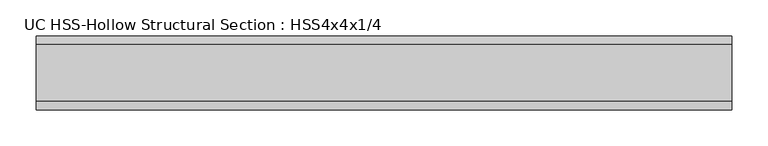
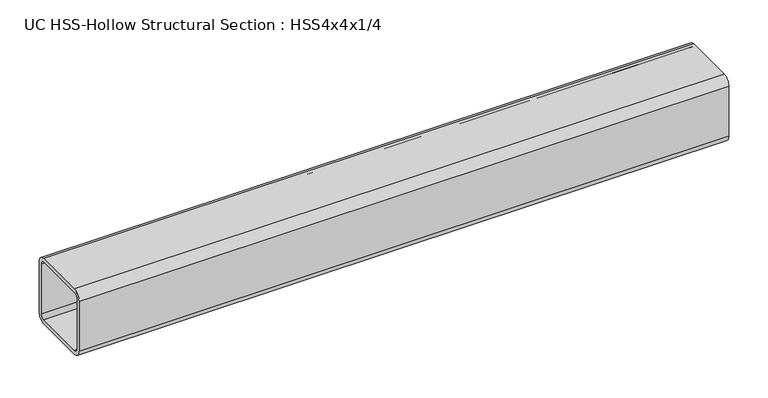
"""IFC4 building model written with IfcOpenShell, lengths in millimetres: beam geometry, UC HSS-Hollow Structural Section : HSS4x4x1/4."""

from ifc_helpers import new_model, si_unit, point, frame, frame_2d, origin, place, context, project, spatial, polyline, circle_curve, trimmed, segment, composite_curve, outline, extrude, source, transform, mapped, element, save


def uc_hss_hollow_structural_section_hss4x4x1_4_01fcedf2(model_context):
    return source(origin(), model_context, "Body", "SweptSolid", [
        extrude(outline(composite_curve([segment(trimmed(circle_curve(frame_2d((-38.9636, 38.9636)), 11.8364), [point((-50.8, 38.9636))], [point((-38.9636, 50.8))], False, "CARTESIAN"), True, "CONTINUOUS"), segment(polyline([(-38.9636, 50.8), (38.9636, 50.8)]), True, "CONTINUOUS"), segment(trimmed(circle_curve(frame_2d((38.9636, 38.9636)), 11.8364), [point((38.9636, 50.8))], [point((50.8, 38.9636))], False, "CARTESIAN"), True, "CONTINUOUS"), segment(polyline([(50.8, 38.9636), (50.8, -38.9636)]), True, "CONTINUOUS"), segment(trimmed(circle_curve(frame_2d((38.9636, -38.9636)), 11.8364), [point((50.8, -38.9636))], [point((38.9636, -50.8))], False, "CARTESIAN"), True, "CONTINUOUS"), segment(polyline([(38.9636, -50.8), (-38.9636, -50.8)]), True, "CONTINUOUS"), segment(trimmed(circle_curve(frame_2d((-38.9636, -38.9636)), 11.8364), [point((-38.9636, -50.8))], [point((-50.8, -38.9636))], False, "CARTESIAN"), True, "CONTINUOUS"), segment(polyline([(-50.8, -38.9636), (-50.8, 38.9636)]), True, "CONTINUOUS")], self_intersect=False), holes=[composite_curve([segment(polyline([(38.9636, 44.8818), (-38.9636, 44.8818)]), True, "CONTINUOUS"), segment(trimmed(circle_curve(frame_2d((-38.9636, 38.9636)), 5.9182), [point((-38.9636, 44.8818))], [point((-44.8818, 38.9636))], True, "CARTESIAN"), True, "CONTINUOUS"), segment(polyline([(-44.8818, 38.9636), (-44.8818, -38.9636)]), True, "CONTINUOUS"), segment(trimmed(circle_curve(frame_2d((-38.9636, -38.9636)), 5.9182), [point((-44.8818, -38.9636))], [point((-38.9636, -44.8818))], True, "CARTESIAN"), True, "CONTINUOUS"), segment(polyline([(-38.9636, -44.8818), (38.9636, -44.8818)]), True, "CONTINUOUS"), segment(trimmed(circle_curve(frame_2d((38.9636, -38.9636)), 5.9182), [point((38.9636, -44.8818))], [point((44.8818, -38.9636))], True, "CARTESIAN"), True, "CONTINUOUS"), segment(polyline([(44.8818, -38.9636), (44.8818, 38.9636)]), True, "CONTINUOUS"), segment(trimmed(circle_curve(frame_2d((38.9636, 38.9636)), 5.9182), [point((44.8818, 38.9636))], [point((38.9636, 44.8818))], True, "CARTESIAN"), True, "CONTINUOUS")], self_intersect=False)]), frame((-418.3522938, 0.0, 0.0), z_axis=(1.0, 0.0, 0.0), x_axis=(0.0, 1.0, 0.0)), (0.0, 0.0, 1.0), 957.1676611),
    ])


if __name__ == "__main__":
    model = new_model("IFC4")
    model_context = context("Model", 3, world=origin())
    ifc_project = project(units=[si_unit("LENGTHUNIT", "METRE", prefix="MILLI")], contexts=[model_context])
    site = spatial("IfcSite", under=ifc_project)
    building = spatial("IfcBuilding", under=site)
    placement = place(None, origin())
    uc_hss_hollow_structural_section_hss4x4x1_4_shape = uc_hss_hollow_structural_section_hss4x4x1_4_01fcedf2(model_context)
    element("IfcBeam", 1, ObjectType="UC HSS-Hollow Structural Section : HSS4x4x1/4", at=placement, inside=building, context=model_context, shape_type="MappedRepresentation", body=[
        mapped(uc_hss_hollow_structural_section_hss4x4x1_4_shape, transform((0.0, 0.0, 0.0), x_axis=(1.0, 0.0, 0.0), y_axis=(0.0, 1.0, 0.0), z_axis=(0.0, 0.0, 1.0))),
    ])
    save(model, "model.ifc")
